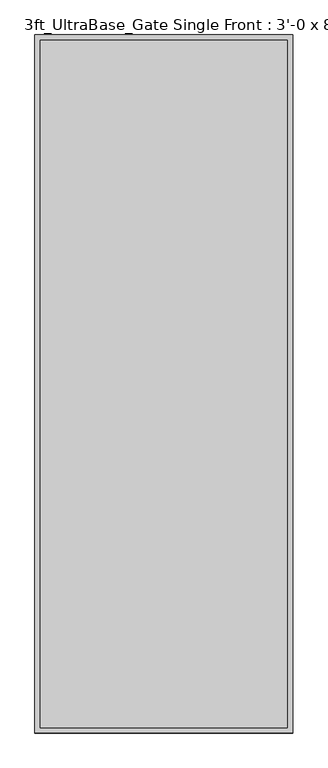
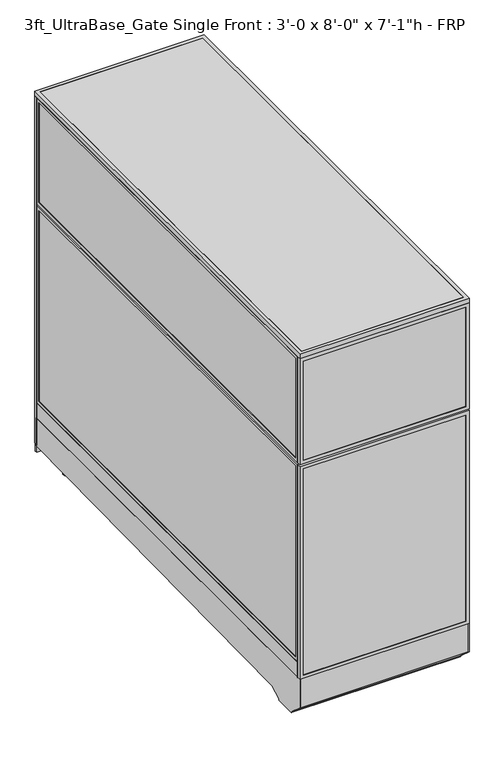
"""IFC4 building model written with IfcOpenShell, lengths in millimetres: proxy geometry."""

from ifc_helpers import new_model, si_unit, point, frame, frame_2d, origin, origin_with_axes, place, context, project, spatial, polyline, circle_curve, trimmed, segment, composite_curve, outline, extrude, source, transform, mapped, element, save


def proxy_a804a88c(model_context):
    return source(origin(), model_context, "Body", "SweptSolid", [
        extrude(outline(composite_curve([segment(trimmed(circle_curve(frame_2d((121.1505315, 350.6380208)), 38.1), [point((83.0505315, 350.6380208))], [point((159.2505315, 350.6380208))], False, "CARTESIAN"), True, "CONTINUOUS"), segment(trimmed(circle_curve(frame_2d((121.1505315, 350.6380208)), 38.1), [point((159.2505315, 350.6380208))], [point((83.0505315, 350.6380208))], False, "CARTESIAN"), True, "CONTINUOUS")], self_intersect=False)), frame((0.0, 0.0, 103.9931848), z_axis=(0.0, 0.0, 1.0), x_axis=(1.0, 0.0, 0.0)), (0.0, 0.0, 1.0), 12.9784433),
        extrude(outline(composite_curve([segment(trimmed(circle_curve(frame_2d((121.1505315, 350.6380208)), 12.7), [point((108.4505315, 350.6380208))], [point((133.8505315, 350.6380208))], False, "CARTESIAN"), True, "CONTINUOUS"), segment(trimmed(circle_curve(frame_2d((121.1505315, 350.6380208)), 12.7), [point((133.8505315, 350.6380208))], [point((108.4505315, 350.6380208))], False, "CARTESIAN"), True, "CONTINUOUS")], self_intersect=False)), frame((0.0, 0.0, 6.35), z_axis=(0.0, 0.0, 1.0), x_axis=(1.0, 0.0, 0.0)), (0.0, 0.0, 1.0), 97.6431848),
        extrude(outline(composite_curve([segment(trimmed(circle_curve(frame_2d((121.1505315, 350.6380208)), 25.4), [point((95.7505315, 350.6380208))], [point((146.5505315, 350.6380208))], False, "CARTESIAN"), True, "CONTINUOUS"), segment(trimmed(circle_curve(frame_2d((121.1505315, 350.6380208)), 25.4), [point((146.5505315, 350.6380208))], [point((95.7505315, 350.6380208))], False, "CARTESIAN"), True, "CONTINUOUS")], self_intersect=False)), origin_with_axes(), (0.0, 0.0, 1.0), 6.35),
        extrude(outline(composite_curve([segment(trimmed(circle_curve(frame_2d((806.9505315, 350.6380208)), 38.1), [point((768.8505315, 350.6380208))], [point((845.0505315, 350.6380208))], False, "CARTESIAN"), True, "CONTINUOUS"), segment(trimmed(circle_curve(frame_2d((806.9505315, 350.6380208)), 38.1), [point((845.0505315, 350.6380208))], [point((768.8505315, 350.6380208))], False, "CARTESIAN"), True, "CONTINUOUS")], self_intersect=False)), frame((0.0, 0.0, 103.9931848), z_axis=(0.0, 0.0, 1.0), x_axis=(1.0, 0.0, 0.0)), (0.0, 0.0, 1.0), 12.9784433),
        extrude(outline(composite_curve([segment(trimmed(circle_curve(frame_2d((806.9505315, 350.6380208)), 12.7), [point((794.2505315, 350.6380208))], [point((819.6505315, 350.6380208))], False, "CARTESIAN"), True, "CONTINUOUS"), segment(trimmed(circle_curve(frame_2d((806.9505315, 350.6380208)), 12.7), [point((819.6505315, 350.6380208))], [point((794.2505315, 350.6380208))], False, "CARTESIAN"), True, "CONTINUOUS")], self_intersect=False)), frame((0.0, 0.0, 6.35), z_axis=(0.0, 0.0, 1.0), x_axis=(1.0, 0.0, 0.0)), (0.0, 0.0, 1.0), 97.6431848),
        extrude(outline(composite_curve([segment(trimmed(circle_curve(frame_2d((806.9505315, 350.6380208)), 25.4), [point((781.5505315, 350.6380208))], [point((832.3505315, 350.6380208))], False, "CARTESIAN"), True, "CONTINUOUS"), segment(trimmed(circle_curve(frame_2d((806.9505315, 350.6380208)), 25.4), [point((832.3505315, 350.6380208))], [point((781.5505315, 350.6380208))], False, "CARTESIAN"), True, "CONTINUOUS")], self_intersect=False)), origin_with_axes(), (0.0, 0.0, 1.0), 6.35),
        extrude(outline(composite_curve([segment(trimmed(circle_curve(frame_2d((120.4666548, 2355.932592)), 38.1), [point((82.3666548, 2355.932592))], [point((158.5666548, 2355.932592))], False, "CARTESIAN"), True, "CONTINUOUS"), segment(trimmed(circle_curve(frame_2d((120.4666548, 2355.932592)), 38.1), [point((158.5666548, 2355.932592))], [point((82.3666548, 2355.932592))], False, "CARTESIAN"), True, "CONTINUOUS")], self_intersect=False)), frame((0.0, 0.0, 135.7431848), z_axis=(0.0, 0.0, 1.0), x_axis=(1.0, 0.0, 0.0)), (0.0, 0.0, 1.0), 12.9784433),
        extrude(outline(composite_curve([segment(trimmed(circle_curve(frame_2d((120.4666548, 2355.932592)), 12.7), [point((107.7666548, 2355.932592))], [point((133.1666548, 2355.932592))], False, "CARTESIAN"), True, "CONTINUOUS"), segment(trimmed(circle_curve(frame_2d((120.4666548, 2355.932592)), 12.7), [point((133.1666548, 2355.932592))], [point((107.7666548, 2355.932592))], False, "CARTESIAN"), True, "CONTINUOUS")], self_intersect=False)), frame((0.0, 0.0, 6.35), z_axis=(0.0, 0.0, 1.0), x_axis=(1.0, 0.0, 0.0)), (0.0, 0.0, 1.0), 129.3931848),
        extrude(outline(composite_curve([segment(trimmed(circle_curve(frame_2d((120.4666548, 2355.932592)), 25.4), [point((95.0666548, 2355.932592))], [point((145.8666548, 2355.932592))], False, "CARTESIAN"), True, "CONTINUOUS"), segment(trimmed(circle_curve(frame_2d((120.4666548, 2355.932592)), 25.4), [point((145.8666548, 2355.932592))], [point((95.0666548, 2355.932592))], False, "CARTESIAN"), True, "CONTINUOUS")], self_intersect=False)), origin_with_axes(), (0.0, 0.0, 1.0), 6.35),
        extrude(outline(composite_curve([segment(trimmed(circle_curve(frame_2d((806.2666548, 2355.932592)), 38.1), [point((768.1666548, 2355.932592))], [point((844.3666548, 2355.932592))], False, "CARTESIAN"), True, "CONTINUOUS"), segment(trimmed(circle_curve(frame_2d((806.2666548, 2355.932592)), 38.1), [point((844.3666548, 2355.932592))], [point((768.1666548, 2355.932592))], False, "CARTESIAN"), True, "CONTINUOUS")], self_intersect=False)), frame((0.0, 0.0, 135.7431848), z_axis=(0.0, 0.0, 1.0), x_axis=(1.0, 0.0, 0.0)), (0.0, 0.0, 1.0), 12.9784433),
        extrude(outline(composite_curve([segment(trimmed(circle_curve(frame_2d((806.2666548, 2355.932592)), 12.7), [point((793.5666548, 2355.932592))], [point((818.9666548, 2355.932592))], False, "CARTESIAN"), True, "CONTINUOUS"), segment(trimmed(circle_curve(frame_2d((806.2666548, 2355.932592)), 12.7), [point((818.9666548, 2355.932592))], [point((793.5666548, 2355.932592))], False, "CARTESIAN"), True, "CONTINUOUS")], self_intersect=False)), frame((0.0, 0.0, 6.35), z_axis=(0.0, 0.0, 1.0), x_axis=(1.0, 0.0, 0.0)), (0.0, 0.0, 1.0), 129.3931848),
        extrude(outline(composite_curve([segment(trimmed(circle_curve(frame_2d((806.2666548, 2355.932592)), 25.4), [point((780.8666548, 2355.932592))], [point((831.6666548, 2355.932592))], False, "CARTESIAN"), True, "CONTINUOUS"), segment(trimmed(circle_curve(frame_2d((806.2666548, 2355.932592)), 25.4), [point((831.6666548, 2355.932592))], [point((780.8666548, 2355.932592))], False, "CARTESIAN"), True, "CONTINUOUS")], self_intersect=False)), origin_with_axes(), (0.0, 0.0, 1.0), 6.35),
        extrude(outline(polyline([(-19.05, 304.8), (2444.75, 304.8), (2444.75, 144.6534225), (238.733612, 113.4956461), (175.3928625, 76.9258473), (175.3928625, 69.0977369), (59.8970382, 69.0977369), (59.8970382, 73.3553835), (-19.05, 144.439616), (-19.05, 304.8)])), frame((0.0, 0.0, 0.0), z_axis=(1.0, 0.0, 0.0), x_axis=(0.0, 1.0, 0.0)), (0.0, 0.0, 1.0), 3.175),
        extrude(outline(polyline([(-19.05, 304.8), (2444.75, 304.8), (2444.75, 144.6534225), (238.733612, 113.4956461), (175.3928625, 76.9258473), (175.3928625, 69.0977369), (59.8970382, 69.0977369), (59.8970382, 73.3553835), (-19.05, 144.439616), (-19.05, 304.8)])), frame((911.225, 0.0, 0.0), z_axis=(1.0, 0.0, 0.0), x_axis=(0.0, 1.0, 0.0)), (0.0, 0.0, 1.0), 3.175),
        extrude(outline(polyline([(2444.75, 104.78262), (2444.75, 144.7169051), (238.733612, 113.4956461), (175.3928625, 76.9258473), (175.3928625, 69.0977369), (59.8970382, 69.0977369), (59.8970382, 73.3553835), (-19.05, 144.439616), (-19.05, 304.8), (-10.9434074, 304.8), (-10.9434074, 236.4996867), (-5.6766373, 236.4996867), (-2.6025146, 148.4683295), (68.18203, 84.7336392), (68.18203, 79.4164869), (167.804636, 79.4164869), (167.804636, 86.088281), (237.0845322, 126.0870477), (2457.45, 157.7730306), (2457.45, 104.78262), (2444.75, 104.78262)])), frame((3.175, 0.0, 0.0), z_axis=(1.0, 0.0, 0.0), x_axis=(0.0, 1.0, 0.0)), (0.0, 0.0, 1.0), 908.05),
        extrude(outline(polyline([(60.3189838, 2455.8625), (854.0810162, 2455.8625), (854.0810162, 2439.9875), (60.3189838, 2439.9875), (60.3189838, 2455.8625)])), frame((0.0, 0.0, 212.725), z_axis=(0.0, 0.0, 1.0), x_axis=(1.0, 0.0, 0.0)), (0.0, 0.0, 1.0), 1860.55),
        extrude(outline(polyline([(193.675, 41.2689838), (193.675, 873.1310162), (2092.325, 873.1310162), (2092.325, 41.2689838), (193.675, 41.2689838)]), holes=[polyline([(2073.275, 854.0810162), (212.725, 854.0810162), (212.725, 60.3189838), (2073.275, 60.3189838), (2073.275, 854.0810162)])]), frame((0.0, 2438.4, 0.0), z_axis=(0.0, 1.0, 0.0), x_axis=(0.0, 0.0, 1.0)), (0.0, 0.0, 1.0), 19.05),
        extrude(outline(polyline([(152.4, 0.0), (152.4, 914.4), (2133.6, 914.4), (2133.6, 0.0), (152.4, 0.0)]), holes=[polyline([(2114.55, 19.05), (2114.55, 895.35), (171.45, 895.35), (171.45, 19.05), (2114.55, 19.05)])]), frame((0.0, 2438.4, 0.0), z_axis=(0.0, 1.0, 0.0), x_axis=(0.0, 0.0, 1.0)), (0.0, 0.0, 1.0), 19.05),
        extrude(outline(polyline([(1519.2375, 914.4), (1519.2375, 0.0), (304.8, 0.0), (304.8, 914.4), (1519.2375, 914.4)]), holes=[polyline([(323.85, 895.35), (323.85, 19.05), (1500.1875, 19.05), (1500.1875, 895.35), (323.85, 895.35)])]), frame((0.0, -19.05, 0.0), z_axis=(0.0, 1.0, 0.0), x_axis=(0.0, 0.0, 1.0)), (0.0, 0.0, 1.0), 19.05),
        extrude(outline(polyline([(1528.7625, 914.4), (2133.6, 914.4), (2133.6, 0.0), (1528.7625, 0.0), (1528.7625, 914.4)]), holes=[polyline([(2114.55, 895.35), (1547.8125, 895.35), (1547.8125, 19.05), (2114.55, 19.05), (2114.55, 895.35)])]), frame((0.0, -19.05, 0.0), z_axis=(0.0, 1.0, 0.0), x_axis=(0.0, 0.0, 1.0)), (0.0, 0.0, 1.0), 19.05),
        extrude(outline(polyline([(895.35, -17.4625), (19.05, -17.4625), (19.05, -1.5875), (895.35, -1.5875), (895.35, -17.4625)])), frame((0.0, 0.0, 323.85), z_axis=(0.0, 0.0, 1.0), x_axis=(1.0, 0.0, 0.0)), (0.0, 0.0, 1.0), 1176.3375),
        extrude(outline(polyline([(895.35, -17.4625), (19.05, -17.4625), (19.05, -1.5875), (895.35, -1.5875), (895.35, -17.4625)])), frame((0.0, 0.0, 1547.8125), z_axis=(0.0, 0.0, 1.0), x_axis=(1.0, 0.0, 0.0)), (0.0, 0.0, 1.0), 566.7375),
        extrude(outline(polyline([(895.35, 0.0), (895.35, 2438.4), (914.4, 2438.4), (914.4, 0.0), (895.35, 0.0)])), frame((0.0, 0.0, 304.8), z_axis=(0.0, 0.0, 1.0), x_axis=(1.0, 0.0, 0.0)), (0.0, 0.0, 1.0), 88.9),
        extrude(outline(polyline([(2438.4, 393.7), (0.0, 393.7), (0.0, 1519.2375), (2438.4, 1519.2375), (2438.4, 393.7)]), holes=[polyline([(2419.35, 1500.1875), (19.05, 1500.1875), (19.05, 412.75), (2419.35, 412.75), (2419.35, 1500.1875)])]), frame((895.35, 0.0, 0.0), z_axis=(1.0, 0.0, 0.0), x_axis=(0.0, 1.0, 0.0)), (0.0, 0.0, 1.0), 19.05),
        extrude(outline(polyline([(0.0, 1528.7625), (0.0, 2133.6), (2438.4, 2133.6), (2438.4, 1528.7625), (0.0, 1528.7625)]), holes=[polyline([(19.05, 2114.55), (19.05, 1547.8125), (2419.35, 1547.8125), (2419.35, 2114.55), (19.05, 2114.55)])]), frame((895.35, 0.0, 0.0), z_axis=(1.0, 0.0, 0.0), x_axis=(0.0, 1.0, 0.0)), (0.0, 0.0, 1.0), 19.05),
        extrude(outline(polyline([(896.9375, 19.05), (896.9375, 2419.35), (912.8125, 2419.35), (912.8125, 19.05), (896.9375, 19.05)])), frame((0.0, 0.0, 412.75), z_axis=(0.0, 0.0, 1.0), x_axis=(1.0, 0.0, 0.0)), (0.0, 0.0, 1.0), 1087.4375),
        extrude(outline(polyline([(896.9375, 19.05), (896.9375, 2419.35), (912.8125, 2419.35), (912.8125, 19.05), (896.9375, 19.05)])), frame((0.0, 0.0, 1547.8125), z_axis=(0.0, 0.0, 1.0), x_axis=(1.0, 0.0, 0.0)), (0.0, 0.0, 1.0), 566.7375),
        extrude(outline(polyline([(0.0, 0.0), (0.0, 2438.4), (19.05, 2438.4), (19.05, 0.0), (0.0, 0.0)])), frame((0.0, 0.0, 304.8), z_axis=(0.0, 0.0, 1.0), x_axis=(1.0, 0.0, 0.0)), (0.0, 0.0, 1.0), 88.9),
        extrude(outline(polyline([(2438.4, 393.7), (0.0, 393.7), (0.0, 1519.2375), (2438.4, 1519.2375), (2438.4, 393.7)]), holes=[polyline([(2419.35, 1500.1875), (19.05, 1500.1875), (19.05, 412.75), (2419.35, 412.75), (2419.35, 1500.1875)])]), frame((0.0, 0.0, 0.0), z_axis=(1.0, 0.0, 0.0), x_axis=(0.0, 1.0, 0.0)), (0.0, 0.0, 1.0), 19.05),
        extrude(outline(polyline([(0.0, 1528.7625), (0.0, 2133.6), (2438.4, 2133.6), (2438.4, 1528.7625), (0.0, 1528.7625)]), holes=[polyline([(19.05, 2114.55), (19.05, 1547.8125), (2419.35, 1547.8125), (2419.35, 2114.55), (19.05, 2114.55)])]), frame((0.0, 0.0, 0.0), z_axis=(1.0, 0.0, 0.0), x_axis=(0.0, 1.0, 0.0)), (0.0, 0.0, 1.0), 19.05),
        extrude(outline(polyline([(1.5875, 19.05), (1.5875, 2419.35), (17.4625, 2419.35), (17.4625, 19.05), (1.5875, 19.05)])), frame((0.0, 0.0, 412.75), z_axis=(0.0, 0.0, 1.0), x_axis=(1.0, 0.0, 0.0)), (0.0, 0.0, 1.0), 1087.4375),
        extrude(outline(polyline([(1.5875, 19.05), (1.5875, 2419.35), (17.4625, 2419.35), (17.4625, 19.05), (1.5875, 19.05)])), frame((0.0, 0.0, 1547.8125), z_axis=(0.0, 0.0, 1.0), x_axis=(1.0, 0.0, 0.0)), (0.0, 0.0, 1.0), 566.7375),
        extrude(outline(polyline([(882.65, 622.3), (882.65, 609.6), (31.75, 609.6), (31.75, 622.3), (882.65, 622.3)])), frame((0.0, 0.0, 152.4), z_axis=(0.0, 0.0, 1.0), x_axis=(1.0, 0.0, 0.0)), (0.0, 0.0, 1.0), 152.4),
        extrude(outline(polyline([(882.65, 622.3), (882.65, 12.7), (31.75, 12.7), (31.75, 622.3), (882.65, 622.3)])), frame((0.0, 0.0, 304.8), z_axis=(0.0, 0.0, 1.0), x_axis=(1.0, 0.0, 0.0)), (0.0, 0.0, 1.0), 12.7),
        extrude(outline(polyline([(0.0, -19.05), (0.0, 2457.45), (914.4, 2457.45), (914.4, -19.05), (0.0, -19.05)]), holes=[polyline([(19.05, 0.0), (895.35, 0.0), (895.35, 2438.4), (19.05, 2438.4), (19.05, 0.0)])]), frame((0.0, 0.0, 2133.6), z_axis=(0.0, 0.0, 1.0), x_axis=(1.0, 0.0, 0.0)), (0.0, 0.0, 1.0), 25.4),
        extrude(outline(polyline([(895.35, 2438.4), (895.35, 0.0), (19.05, 0.0), (19.05, 2438.4), (895.35, 2438.4)])), frame((0.0, 0.0, 2133.6), z_axis=(0.0, 0.0, 1.0), x_axis=(1.0, 0.0, 0.0)), (0.0, 0.0, 1.0), 25.4),
    ])


if __name__ == "__main__":
    model = new_model("IFC4")
    model_context = context("Model", 3, world=origin())
    ifc_project = project(units=[si_unit("LENGTHUNIT", "METRE", prefix="MILLI")], contexts=[model_context])
    site = spatial("IfcSite", under=ifc_project)
    building = spatial("IfcBuilding", under=site)
    placement = place(None, origin())
    proxy_shape = proxy_a804a88c(model_context)
    element("IfcBuildingElementProxy", 1, Name="3ft_UltraBase_Gate Single Front : 3'-0 x 8'-0\" x 7'-1\"h - FRP", ObjectType="3ft_UltraBase_Gate Single Front : 3'-0 x 8'-0\" x 7'-1\"h - FRP", at=placement, inside=building, context=model_context, shape_type="MappedRepresentation", body=[
        mapped(proxy_shape, transform((0.0, 0.0, 0.0), x_axis=(1.0, 0.0, 0.0), y_axis=(0.0, 1.0, 0.0), z_axis=(0.0, 0.0, 1.0))),
    ])
    save(model, "model.ifc")
